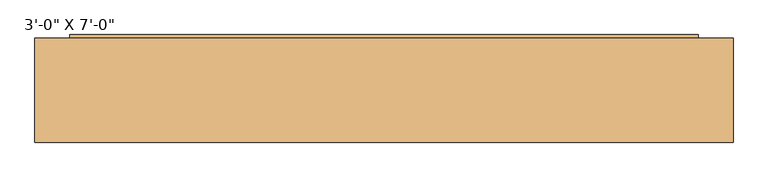
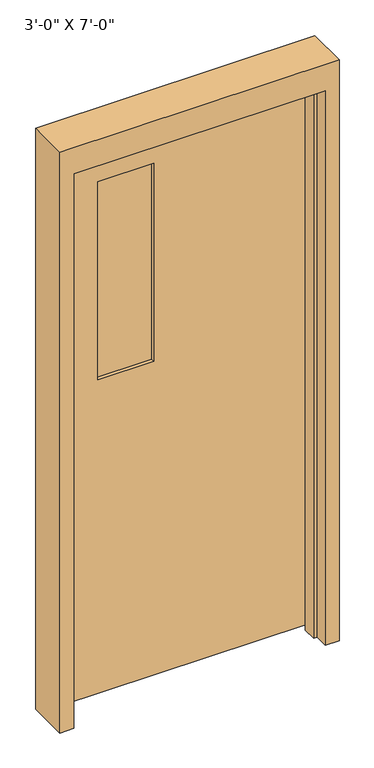
"""IFC4 building model written with IfcOpenShell, lengths in millimetres: door geometry."""

from ifc_helpers import new_model, si_unit, frame, origin, place, context, project, spatial, polyline, outline, extrude, source, transform, mapped, element, save


def door_7f28d630(model_context):
    return source(origin(), model_context, "Body", "SweptSolid", [
        extrude(outline(polyline([(2133.6, -457.2), (0.0, -457.2), (0.0, -444.5), (2120.9, -444.5), (2120.9, 444.5), (0.0, 444.5), (0.0, 457.2), (2133.6, 457.2), (2133.6, -457.2)])), frame((0.0, -30.1625, 0.0), z_axis=(0.0, 1.0, 0.0), x_axis=(0.0, 0.0, 1.0)), (0.0, 0.0, 1.0), 50.8),
        extrude(outline(polyline([(2235.2, 508.0), (2235.2, -508.0), (0.0, -508.0), (0.0, -457.2), (2133.6, -457.2), (2133.6, 457.2), (0.0, 457.2), (0.0, 508.0), (2235.2, 508.0)])), frame((0.0, -80.9625, 0.0), z_axis=(0.0, 1.0, 0.0), x_axis=(0.0, 0.0, 1.0)), (0.0, 0.0, 1.0), 152.4),
        extrude(outline(polyline([(-304.8, 52.3875), (-101.6, 52.3875), (-101.6, 46.0375), (-304.8, 46.0375), (-304.8, 52.3875)])), frame((0.0, 0.0, 1219.2), z_axis=(0.0, 0.0, 1.0), x_axis=(1.0, 0.0, 0.0)), (0.0, 0.0, 1.0), 762.0),
        extrude(outline(polyline([(12.7, -457.2), (12.7, 457.2), (2133.6, 457.2), (2133.6, -457.2), (12.7, -457.2)]), holes=[polyline([(1219.2, -101.6), (1219.2, -304.8), (1981.2, -304.8), (1981.2, -101.6), (1219.2, -101.6)])]), frame((0.0, 31.75, 0.0), z_axis=(0.0, 1.0, 0.0), x_axis=(0.0, 0.0, 1.0)), (0.0, 0.0, 1.0), 44.45),
    ])


if __name__ == "__main__":
    model = new_model("IFC4")
    model_context = context("Model", 3, world=origin())
    ifc_project = project(units=[si_unit("LENGTHUNIT", "METRE", prefix="MILLI")], contexts=[model_context])
    site = spatial("IfcSite", under=ifc_project)
    building = spatial("IfcBuilding", under=site)
    placement = place(None, origin())
    door_shape = door_7f28d630(model_context)
    element("IfcDoor", 1, ObjectType="3'-0\" X 7'-0\"", at=placement, inside=building, context=model_context, shape_type="MappedRepresentation", body=[
        mapped(door_shape, transform((0.0, 0.0, 0.0), x_axis=(1.0, 0.0, 0.0), y_axis=(0.0, 1.0, 0.0), z_axis=(0.0, 0.0, 1.0))),
    ])
    save(model, "model.ifc")
